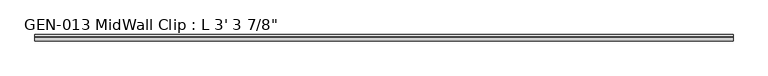
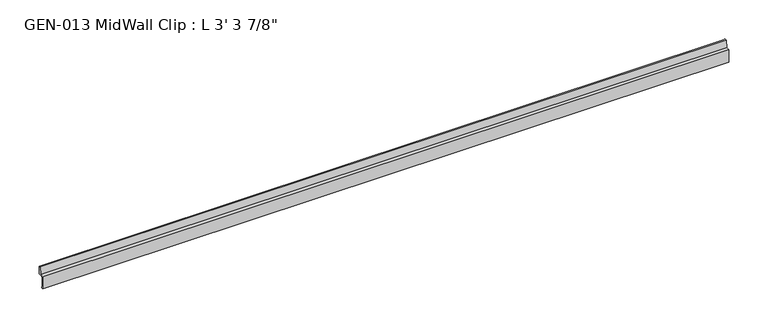
"""IFC4 building model written with IfcOpenShell, lengths in millimetres: proxy geometry."""

from ifc_helpers import new_model, si_unit, point, frame, frame_2d, origin, place, context, project, spatial, polyline, circle_curve, trimmed, segment, composite_curve, outline, extrude, source, transform, mapped, element, save


def proxy_22ded7db(model_context):
    return source(origin(), model_context, "Body", "SweptSolid", [
        extrude(outline(composite_curve([segment(polyline([(-3.1877, 1.1238237), (-3.1877, -13.4811763), (-1.6129, -13.4811763), (-1.6129, -15.0559763), (-4.7625, -15.0559763), (-4.7625, 3.9686237), (0.630157, 3.9686237), (2.4411308, 14.5447106)]), True, "CONTINUOUS"), segment(trimmed(circle_curve(frame_2d((3.5698235, 13.3878692)), 1.6162393), [point((2.4411308, 14.5447106))], [point((4.7625, 14.4786268))], False, "CARTESIAN"), True, "CONTINUOUS"), segment(polyline([(4.7625, 14.4786268), (4.7625, 2.3938237), (-1.9177, 2.3938237)]), True, "CONTINUOUS"), segment(trimmed(circle_curve(frame_2d((-1.9177, 1.1238237)), 1.27), [point((-1.9177, 2.3938237))], [point((-3.1877, 1.1238237))], True, "CARTESIAN"), True, "CONTINUOUS")], self_intersect=False)), frame((0.0, 0.0, 0.0), z_axis=(1.0, 0.0, 0.0), x_axis=(0.0, 1.0, 0.0)), (0.0, 0.0, 1.0), 1012.825),
    ])


if __name__ == "__main__":
    model = new_model("IFC4")
    model_context = context("Model", 3, world=origin())
    ifc_project = project(units=[si_unit("LENGTHUNIT", "METRE", prefix="MILLI")], contexts=[model_context])
    site = spatial("IfcSite", under=ifc_project)
    building = spatial("IfcBuilding", under=site)
    placement = place(None, origin())
    proxy_shape = proxy_22ded7db(model_context)
    element("IfcBuildingElementProxy", 1, Name="GEN-013 MidWall Clip : L 3' 3 7/8\"", ObjectType="GEN-013 MidWall Clip : L 3' 3 7/8\"", at=placement, inside=building, context=model_context, shape_type="MappedRepresentation", body=[
        mapped(proxy_shape, transform((0.0, 0.0, 0.0), x_axis=(1.0, 0.0, 0.0), y_axis=(0.0, 1.0, 0.0), z_axis=(0.0, 0.0, 1.0))),
    ])
    save(model, "model.ifc")
